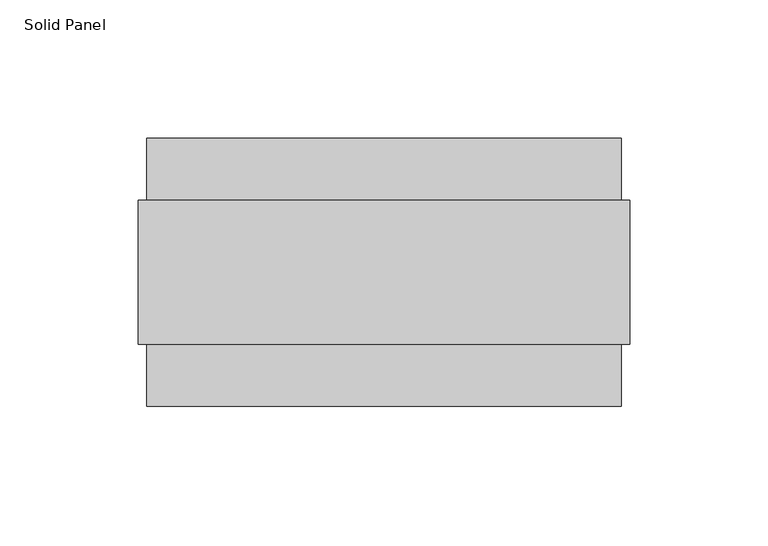
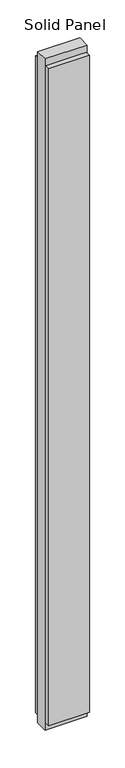
"""IFC4 building model written with IfcOpenShell, lengths in millimetres: plate geometry, Solid Panel."""

from ifc_helpers import new_model, si_unit, frame, origin, origin_with_axes, place, context, project, spatial, polyline, outline, extrude, source, transform, mapped, element, save


def solid_panel_795cae29(model_context):
    return source(origin(), model_context, "Body", "SweptSolid", [
        extrude(outline(polyline([(85.9028, -48.4531867), (-85.9028, -48.4531867), (-85.9028, -25.9961), (85.9028, -25.9961), (85.9028, -48.4531867)])), frame((0.0, 0.0, 32.004), z_axis=(0.0, 0.0, 1.0), x_axis=(1.0, 0.0, 0.0)), (0.0, 0.0, 1.0), 2933.192),
        extrude(outline(polyline([(85.9028, 25.9977), (-85.9028, 25.9977), (-85.9028, 48.4547867), (85.9028, 48.4547867), (85.9028, 25.9977)])), frame((0.0, 0.0, 32.004), z_axis=(0.0, 0.0, 1.0), x_axis=(1.0, 0.0, 0.0)), (0.0, 0.0, 1.0), 2933.192),
        extrude(outline(polyline([(88.9, -25.9961), (-88.9, -25.9961), (-88.9, 25.9977), (88.9, 25.9977), (88.9, -25.9961)])), origin_with_axes(), (0.0, 0.0, 1.0), 2997.2),
    ])


if __name__ == "__main__":
    model = new_model("IFC4")
    model_context = context("Model", 3, world=origin())
    ifc_project = project(units=[si_unit("LENGTHUNIT", "METRE", prefix="MILLI")], contexts=[model_context])
    site = spatial("IfcSite", under=ifc_project)
    building = spatial("IfcBuilding", under=site)
    placement = place(None, origin())
    solid_panel_shape = solid_panel_795cae29(model_context)
    element("IfcPlate", 1, ObjectType="Solid Panel", at=placement, inside=building, context=model_context, shape_type="MappedRepresentation", body=[
        mapped(solid_panel_shape, transform((0.0, 0.0, 0.0), x_axis=(1.0, 0.0, 0.0), y_axis=(0.0, 1.0, 0.0), z_axis=(0.0, 0.0, 1.0))),
    ])
    save(model, "model.ifc")
